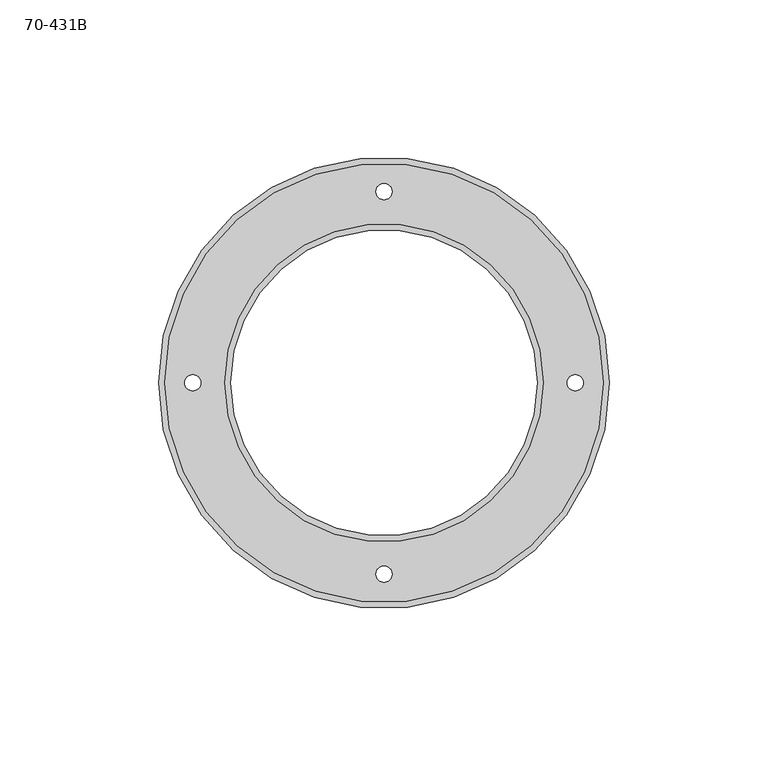
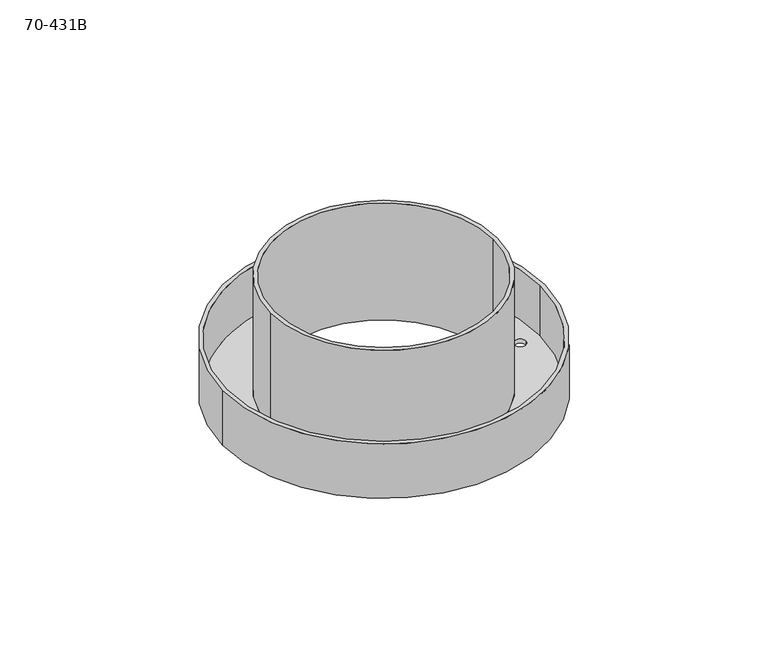
"""IFC4 building model written with IfcOpenShell, lengths in millimetres: proxy geometry, 70-431B."""

from ifc_helpers import new_model, si_unit, frame, origin, origin_with_axes, place, context, project, spatial, polyline, circle_curve, source, transform, mapped, element, save
from ifc_brep_helpers import plane_surface, cylinder_surface, revolved_surface, advanced_brep


def proxy_70_431b_42f41bdd(model_context):
    return source(origin(), model_context, "Body", "AdvancedBrep", [
        advanced_brep(
        [(71.12, 0.0, 0.0), (71.12, 0.0, 25.4), (-71.12, 0.0, 25.4), (-71.12, 0.0, 0.0), (69.215, 0.0, 25.4), (69.215, 0.0, 1.905), (-69.215, 0.0, 1.905), (-69.215, 0.0, 25.4), (-50.165, 0.0, 1.905), (-50.165, 0.0, 54.61), (50.165, 0.0, 54.61), (50.165, 0.0, 1.905), (-48.26, 0.0, 54.61), (-48.26, 0.0, 0.0), (48.26, 0.0, 0.0), (48.26, 0.0, 54.61), (57.785, 0.0, 1.905), (57.785, 0.0, 0.0), (62.865, 0.0, 0.0), (62.865, 0.0, 1.905), (-2.54, 60.325, 1.905), (-2.54, 60.325, 0.0), (2.54, 60.325, 0.0), (2.54, 60.325, 1.905), (-2.54, -60.325, 1.905), (-2.54, -60.325, 0.0), (2.54, -60.325, 0.0), (2.54, -60.325, 1.905), (-62.865, 0.0, 1.905), (-62.865, 0.0, 0.0), (-57.785, 0.0, 0.0), (-57.785, 0.0, 1.905)],
        [
            (0, 1),
            (1, 2, circle_curve(frame((0.0, 0.0, 25.4), z_axis=(0.0, 0.0, -1.0), x_axis=(1.0, 0.0, 0.0)), 71.12)),
            (2, 3),
            (3, 0, circle_curve(origin_with_axes(), 71.12)),
            (4, 5),
            (5, 6, circle_curve(frame((0.0, 0.0, 1.905), z_axis=(0.0, 0.0, -1.0), x_axis=(1.0, 0.0, 0.0)), 69.215)),
            (6, 7),
            (7, 4, circle_curve(frame((0.0, 0.0, 25.4), z_axis=(0.0, 0.0, 1.0), x_axis=(1.0, 0.0, 0.0)), 69.215)),
            (8, 9),
            (9, 10, circle_curve(frame((0.0, 0.0, 54.61), z_axis=(0.0, 0.0, -1.0), x_axis=(-1.0, 0.0, 0.0)), 50.165)),
            (10, 11),
            (11, 8, circle_curve(frame((0.0, 0.0, 1.905), z_axis=(0.0, 0.0, 1.0), x_axis=(-1.0, 0.0, 0.0)), 50.165)),
            (12, 13),
            (13, 14, circle_curve(frame((0.0, 0.0, 0.0), z_axis=(0.0, 0.0, -1.0), x_axis=(-1.0, 0.0, 0.0)), 48.26)),
            (14, 15),
            (15, 12, circle_curve(frame((0.0, 0.0, 54.61), z_axis=(0.0, 0.0, 1.0), x_axis=(-1.0, 0.0, 0.0)), 48.26)),
            (16, 17),
            (17, 18, circle_curve(frame((60.325, 0.0, 0.0), z_axis=(0.0, 0.0, -1.0), x_axis=(-1.0, 0.0, 0.0)), 2.54)),
            (18, 19),
            (19, 16, circle_curve(frame((60.325, 0.0, 1.905), z_axis=(0.0, 0.0, 1.0), x_axis=(-1.0, 0.0, 0.0)), 2.54)),
            (20, 21),
            (21, 22, circle_curve(frame((0.0, 60.325, 0.0), z_axis=(0.0, 0.0, -1.0), x_axis=(-1.0, 0.0, 0.0)), 2.54)),
            (22, 23),
            (23, 20, circle_curve(frame((0.0, 60.325, 1.905), z_axis=(0.0, 0.0, 1.0), x_axis=(-1.0, 0.0, 0.0)), 2.54)),
            (24, 25),
            (25, 26, circle_curve(frame((0.0, -60.325, 0.0), z_axis=(0.0, 0.0, -1.0), x_axis=(-1.0, 0.0, 0.0)), 2.54)),
            (26, 27),
            (27, 24, circle_curve(frame((0.0, -60.325, 1.905), z_axis=(0.0, 0.0, 1.0), x_axis=(-1.0, 0.0, 0.0)), 2.54)),
            (28, 29),
            (29, 30, circle_curve(frame((-60.325, 0.0, 0.0), z_axis=(0.0, 0.0, -1.0), x_axis=(-1.0, 0.0, 0.0)), 2.54)),
            (30, 31),
            (31, 28, circle_curve(frame((-60.325, 0.0, 1.905), z_axis=(0.0, 0.0, 1.0), x_axis=(-1.0, 0.0, 0.0)), 2.54)),
            (28, 31, circle_curve(frame((-60.325, 0.0, 1.905), z_axis=(0.0, 0.0, 1.0), x_axis=(-1.0, 0.0, 0.0)), 2.54)),
            (30, 29, circle_curve(frame((-60.325, 0.0, 0.0), z_axis=(0.0, 0.0, -1.0), x_axis=(-1.0, 0.0, 0.0)), 2.54)),
            (24, 27, circle_curve(frame((0.0, -60.325, 1.905), z_axis=(0.0, 0.0, 1.0), x_axis=(-1.0, 0.0, 0.0)), 2.54)),
            (26, 25, circle_curve(frame((0.0, -60.325, 0.0), z_axis=(0.0, 0.0, -1.0), x_axis=(-1.0, 0.0, 0.0)), 2.54)),
            (20, 23, circle_curve(frame((0.0, 60.325, 1.905), z_axis=(0.0, 0.0, 1.0), x_axis=(-1.0, 0.0, 0.0)), 2.54)),
            (22, 21, circle_curve(frame((0.0, 60.325, 0.0), z_axis=(0.0, 0.0, -1.0), x_axis=(-1.0, 0.0, 0.0)), 2.54)),
            (16, 19, circle_curve(frame((60.325, 0.0, 1.905), z_axis=(0.0, 0.0, 1.0), x_axis=(-1.0, 0.0, 0.0)), 2.54)),
            (18, 17, circle_curve(frame((60.325, 0.0, 0.0), z_axis=(0.0, 0.0, -1.0), x_axis=(-1.0, 0.0, 0.0)), 2.54)),
            (5, 6, circle_curve(frame((0.0, 0.0, 1.905), z_axis=(0.0, 0.0, 1.0), x_axis=(1.0, 0.0, 0.0)), 69.215)),
            (11, 8, circle_curve(frame((0.0, 0.0, 1.905), z_axis=(0.0, 0.0, -1.0), x_axis=(-1.0, 0.0, 0.0)), 50.165)),
            (12, 15, circle_curve(frame((0.0, 0.0, 54.61), z_axis=(0.0, 0.0, 1.0), x_axis=(-1.0, 0.0, 0.0)), 48.26)),
            (14, 13, circle_curve(frame((0.0, 0.0, 0.0), z_axis=(0.0, 0.0, -1.0), x_axis=(-1.0, 0.0, 0.0)), 48.26)),
            (10, 9, circle_curve(frame((0.0, 0.0, 54.61), z_axis=(0.0, 0.0, -1.0), x_axis=(-1.0, 0.0, 0.0)), 50.165)),
            (3, 0, circle_curve(frame((0.0, 0.0, 0.0), z_axis=(0.0, 0.0, -1.0), x_axis=(1.0, 0.0, 0.0)), 71.12)),
            (4, 7, circle_curve(frame((0.0, 0.0, 25.4), z_axis=(0.0, 0.0, 1.0), x_axis=(1.0, 0.0, 0.0)), 69.215)),
            (2, 1, circle_curve(frame((0.0, 0.0, 25.4), z_axis=(0.0, 0.0, -1.0), x_axis=(1.0, 0.0, 0.0)), 71.12)),
        ],
        [
            cylinder_surface(origin_with_axes(), 71.12),
            revolved_surface(polyline([(69.215, 0.0, 25.4), (69.215, 0.0, 1.905)]), (0.0, 0.0, 0.0), (0.0, 0.0, 1.0)),
            cylinder_surface(frame((0.0, 0.0, 0.0), z_axis=(0.0, 0.0, 1.0), x_axis=(-1.0, 0.0, 0.0)), 50.165),
            revolved_surface(polyline([(-48.26, 0.0, 54.61), (-48.26, 0.0, 0.0)]), (0.0, 0.0, 0.0), (0.0, 0.0, 1.0)),
            revolved_surface(polyline([(57.785000000000004, 0.0, 0.0), (57.785000000000004, 0.0, 1.9050000000000002)]), (60.325, 0.0, 9.525), (0.0, 0.0, -1.0)),
            revolved_surface(polyline([(-2.54, 60.325, 0.0), (-2.54, 60.325, 1.9050000000000002)]), (0.0, 60.325, 9.525), (0.0, 0.0, -1.0)),
            revolved_surface(polyline([(-2.54, -60.325, 0.0), (-2.54, -60.325, 1.9050000000000002)]), (0.0, -60.325, 9.525), (0.0, 0.0, -1.0)),
            revolved_surface(polyline([(-62.865, 0.0, 0.0), (-62.865, 0.0, 1.9050000000000002)]), (-60.325, 0.0, 9.525), (0.0, 0.0, -1.0)),
            plane_surface(frame((0.0, 0.0, 1.905), z_axis=(0.0, 0.0, 1.0), x_axis=(1.0, 0.0, 0.0))),
            plane_surface(frame((0.0, 0.0, 54.61), z_axis=(0.0, 0.0, 1.0), x_axis=(-1.0, 0.0, 0.0))),
            plane_surface(frame((0.0, 0.0, 0.0), z_axis=(0.0, 0.0, -1.0), x_axis=(-1.0, 0.0, 0.0))),
            plane_surface(frame((0.0, 0.0, 25.4), z_axis=(0.0, 0.0, 1.0), x_axis=(1.0, 0.0, 0.0))),
        ],
        [
            (0, [[1, 2, 3, 4]]),
            (1, [[5, 6, 7, 8]]),
            (2, [[9, 10, 11, 12]]),
            (3, [[13, 14, 15, 16]]),
            (4, [[17, 18, 19, 20]]),
            (5, [[21, 22, 23, 24]]),
            (6, [[25, 26, 27, 28]]),
            (7, [[29, 30, 31, 32]]),
            (7, [[-29, 33, -31, 34]]),
            (6, [[-25, 35, -27, 36]]),
            (5, [[-21, 37, -23, 38]]),
            (4, [[-17, 39, -19, 40]]),
            (8, [[41, -6], [-33, -32], [-35, -28], [-37, -24], [-39, -20], [42, -12]]),
            (3, [[-13, 43, -15, 44]]),
            (2, [[-9, -42, -11, 45]]),
            (9, [[-45, -10], [-43, -16]]),
            (10, [[-4, 46], [-14, -44], [-34, -30], [-36, -26], [-38, -22], [-40, -18]]),
            (1, [[-5, 47, -7, -41]]),
            (0, [[-1, -46, -3, 48]]),
            (11, [[-48, -2], [-47, -8]]),
        ],
    ),
    ])


if __name__ == "__main__":
    model = new_model("IFC4")
    model_context = context("Model", 3, world=origin())
    ifc_project = project(units=[si_unit("LENGTHUNIT", "METRE", prefix="MILLI")], contexts=[model_context])
    site = spatial("IfcSite", under=ifc_project)
    building = spatial("IfcBuilding", under=site)
    placement = place(None, origin())
    proxy_70_431b_shape = proxy_70_431b_42f41bdd(model_context)
    element("IfcBuildingElementProxy", 1, Name="70-431B", ObjectType="70-431B", at=placement, inside=building, context=model_context, shape_type="MappedRepresentation", body=[
        mapped(proxy_70_431b_shape, transform((0.0, 0.0, 0.0), x_axis=(1.0, 0.0, 0.0), y_axis=(0.0, 1.0, 0.0), z_axis=(0.0, 0.0, 1.0))),
    ])
    save(model, "model.ifc")
